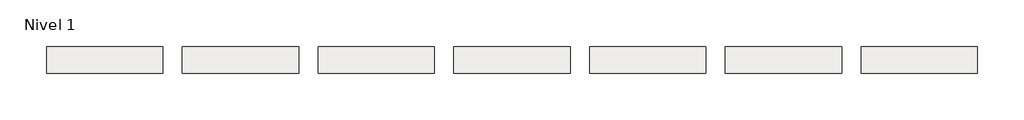
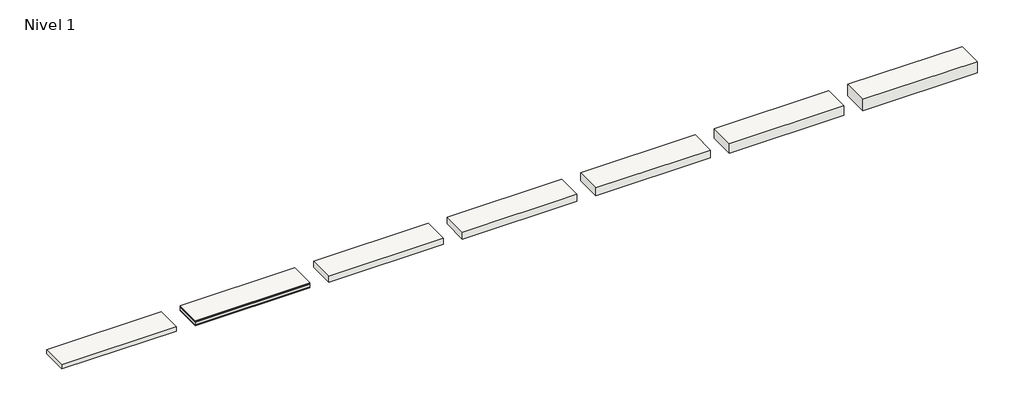
# One storey: 7 slabs.
"""IFC4 building model written with IfcOpenShell, lengths in millimetres."""

from ifc_helpers import new_model, si_unit, frame, origin, place, context, project, spatial, polyline, outline, extrude, element, save

model = new_model("IFC4")

# Units and contexts
model_context = context("Model", 3, world=origin())
ifc_project = project(units=[si_unit("LENGTHUNIT", "METRE", prefix="MILLI")], contexts=[model_context])

# Site, building, storey
site = spatial("IfcSite", under=ifc_project)
building = spatial("IfcBuilding", under=site)
storey = spatial("IfcBuildingStorey", under=building, Name="Nivel 1", Elevation=0.0)

# Slabs
placement = place(None, origin())
element("IfcSlab", 1, at=placement, inside=storey, context=model_context, shape_type="SweptSolid", body=[
    extrude(outline(polyline([(1184.4345966, -2901.6608764), (1184.4345966, -3451.6608764), (-1215.5654034, -3451.6608764), (-1215.5654034, -2901.6608764), (1184.4345966, -2901.6608764)])), frame((0.0, 0.0, -20.0), z_axis=(0.0, 0.0, 1.0), x_axis=(1.0, 0.0, 0.0)), (0.0, 0.0, 1.0), 20.0),
    extrude(outline(polyline([(1184.4345966, -2901.6608764), (1184.4345966, -3451.6608764), (-1215.5654034, -3451.6608764), (-1215.5654034, -2901.6608764), (1184.4345966, -2901.6608764)])), frame((0.0, 0.0, -32.5), z_axis=(0.0, 0.0, 1.0), x_axis=(1.0, 0.0, 0.0)), (0.0, 0.0, 1.0), 12.5),
    extrude(outline(polyline([(1184.4345966, -2901.6608764), (1184.4345966, -3451.6608764), (-1215.5654034, -3451.6608764), (-1215.5654034, -2901.6608764), (1184.4345966, -2901.6608764)])), frame((0.0, 0.0, -92.5), z_axis=(0.0, 0.0, 1.0), x_axis=(1.0, 0.0, 0.0)), (0.0, 0.0, 1.0), 60.0),
    extrude(outline(polyline([(1184.4345966, -2901.6608764), (1184.4345966, -3451.6608764), (-1215.5654034, -3451.6608764), (-1215.5654034, -2901.6608764), (1184.4345966, -2901.6608764)])), frame((0.0, 0.0, -111.5), z_axis=(0.0, 0.0, 1.0), x_axis=(1.0, 0.0, 0.0)), (0.0, 0.0, 1.0), 19.0),
])
element("IfcSlab", 2, at=placement, inside=storey, context=model_context, shape_type="SweptSolid", body=[
    extrude(outline(polyline([(-1615.5654034, -2901.6608764), (-1615.5654034, -3451.6608764), (-4015.5654034, -3451.6608764), (-4015.5654034, -2901.6608764), (-1615.5654034, -2901.6608764)])), frame((0.0, 0.0, -91.5), z_axis=(0.0, 0.0, 1.0), x_axis=(1.0, 0.0, 0.0)), (0.0, 0.0, 1.0), 91.5),
])
element("IfcSlab", 3, at=placement, inside=storey, context=model_context, shape_type="SweptSolid", body=[
    extrude(outline(polyline([(3984.4345966, -2901.6608764), (3984.4345966, -3451.6608764), (1584.4345966, -3451.6608764), (1584.4345966, -2901.6608764), (3984.4345966, -2901.6608764)])), frame((0.0, 0.0, -131.5), z_axis=(0.0, 0.0, 1.0), x_axis=(1.0, 0.0, 0.0)), (0.0, 0.0, 1.0), 131.5),
])
element("IfcSlab", 4, at=placement, inside=storey, context=model_context, shape_type="SweptSolid", body=[
    extrude(outline(polyline([(6784.4345966, -2901.6608764), (6784.4345966, -3451.6608764), (4384.4345966, -3451.6608764), (4384.4345966, -2901.6608764), (6784.4345966, -2901.6608764)])), frame((0.0, 0.0, -151.5), z_axis=(0.0, 0.0, 1.0), x_axis=(1.0, 0.0, 0.0)), (0.0, 0.0, 1.0), 151.5),
])
element("IfcSlab", 5, at=placement, inside=storey, context=model_context, shape_type="SweptSolid", body=[
    extrude(outline(polyline([(9584.4345966, -2901.6608764), (9584.4345966, -3451.6608764), (7184.4345966, -3451.6608764), (7184.4345966, -2901.6608764), (9584.4345966, -2901.6608764)])), frame((0.0, 0.0, -171.5), z_axis=(0.0, 0.0, 1.0), x_axis=(1.0, 0.0, 0.0)), (0.0, 0.0, 1.0), 171.5),
])
element("IfcSlab", 6, at=placement, inside=storey, context=model_context, shape_type="SweptSolid", body=[
    extrude(outline(polyline([(12384.4345966, -2901.6608764), (12384.4345966, -3451.6608764), (9984.4345966, -3451.6608764), (9984.4345966, -2901.6608764), (12384.4345966, -2901.6608764)])), frame((0.0, 0.0, -211.5), z_axis=(0.0, 0.0, 1.0), x_axis=(1.0, 0.0, 0.0)), (0.0, 0.0, 1.0), 211.5),
])
element("IfcSlab", 7, at=placement, inside=storey, context=model_context, shape_type="SweptSolid", body=[
    extrude(outline(polyline([(15184.4345966, -2901.6608764), (15184.4345966, -3451.6608764), (12784.4345966, -3451.6608764), (12784.4345966, -2901.6608764), (15184.4345966, -2901.6608764)])), frame((0.0, 0.0, -251.5), z_axis=(0.0, 0.0, 1.0), x_axis=(1.0, 0.0, 0.0)), (0.0, 0.0, 1.0), 251.5),
])

save(model, "model.ifc")
